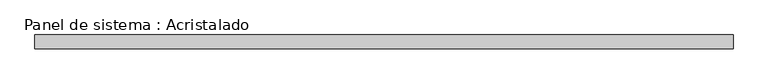
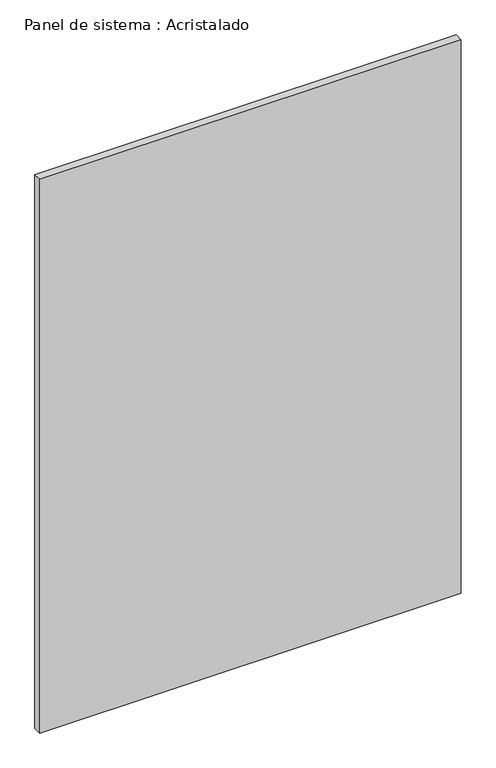
"""IFC4 building model written with IfcOpenShell, lengths in millimetres: plate geometry, Panel de sistema : Acristalado."""

from ifc_helpers import new_model, si_unit, origin, origin_with_axes, place, context, project, spatial, polyline, outline, extrude, source, transform, mapped, element, save


def panel_de_sistema_acristalado_f23b992b(model_context):
    return source(origin(), model_context, "Body", "SweptSolid", [
        extrude(outline(polyline([(511.2448361, -10.0), (-511.2448361, -10.0), (-511.2448361, 10.0), (511.2448361, 10.0), (511.2448361, -10.0)])), origin_with_axes(), (0.0, 0.0, 1.0), 1419.2228533),
    ])


if __name__ == "__main__":
    model = new_model("IFC4")
    model_context = context("Model", 3, world=origin())
    ifc_project = project(units=[si_unit("LENGTHUNIT", "METRE", prefix="MILLI")], contexts=[model_context])
    site = spatial("IfcSite", under=ifc_project)
    building = spatial("IfcBuilding", under=site)
    placement = place(None, origin())
    panel_de_sistema_acristalado_shape = panel_de_sistema_acristalado_f23b992b(model_context)
    element("IfcPlate", 1, ObjectType="Panel de sistema : Acristalado", at=placement, inside=building, context=model_context, shape_type="MappedRepresentation", body=[
        mapped(panel_de_sistema_acristalado_shape, transform((0.0, 0.0, 0.0), x_axis=(1.0, 0.0, 0.0), y_axis=(0.0, 1.0, 0.0), z_axis=(0.0, 0.0, 1.0))),
    ])
    save(model, "model.ifc")
